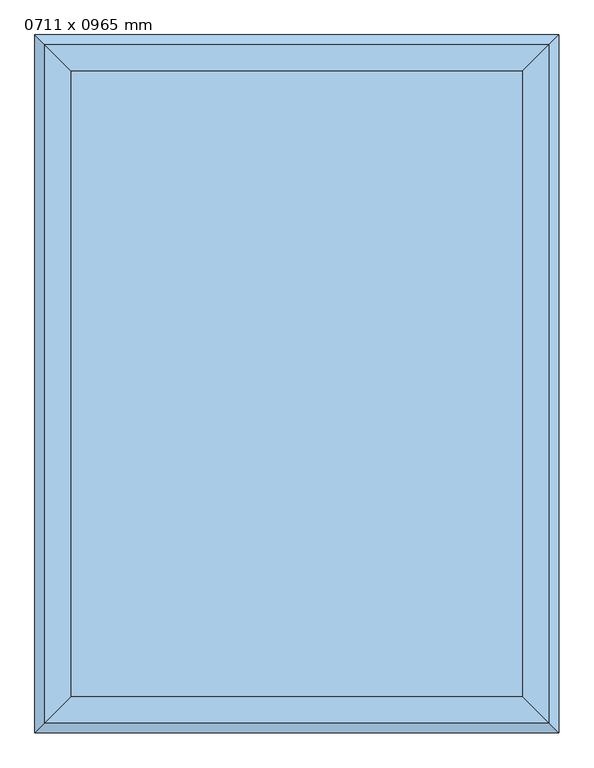
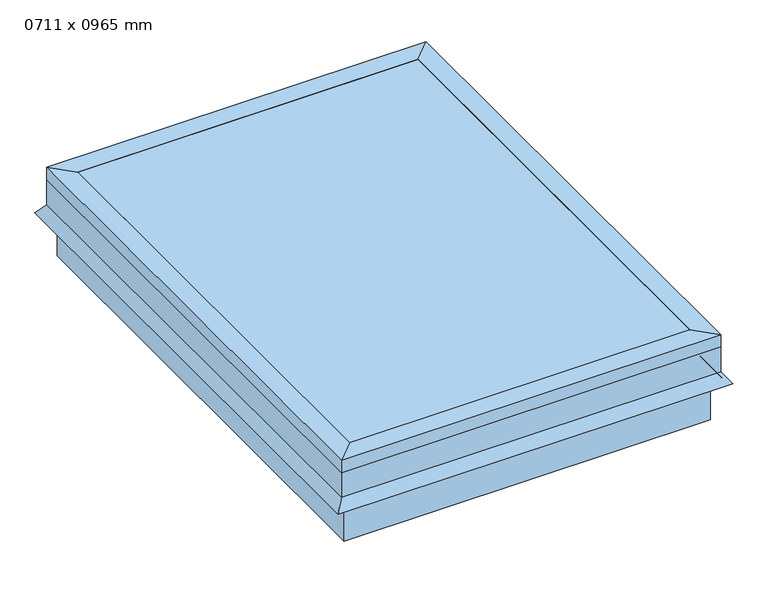
"""IFC4 building model written with IfcOpenShell, lengths in millimetres: window geometry, 0711 x 0965 mm."""

import ifcopenshell
import ifcopenshell.guid

model = None  # the IFC model being written
_history = None  # IfcOwnerHistory: only IFC2X3 demands one
_inside = {}  # id of a spatial element -> (the spatial element, [elements in it])
_under = {}  # id of a project, library or spatial element -> (it, [spatial elements below it])
_declared = {}  # id of a project -> (the project, [libraries it declares])
_typed = {}  # id of a type object -> (the type object, [elements of that type])
_made_of = {}  # id of a material, layer set ... -> (it, [elements and type objects made of it])


def new_model(schema):
    """Start an empty IFC model of exactly this schema.

    Asked for "IFC4X3", IfcOpenShell would pick the latest addendum, in which some entities
    have other attributes; the version numbers below select the first issue.
    IFC2X3 requires an IfcOwnerHistory on every rooted entity: one is made here for all.
    """
    global model, _history
    if schema == "IFC4X3":
        model = ifcopenshell.file(schema_version=(4, 3, 0, 0))
    else:
        model = ifcopenshell.file(schema=schema)
    _inside.clear()
    _under.clear()
    _declared.clear()
    _typed.clear()
    _made_of.clear()
    _history = None
    if model.schema == "IFC2X3":
        org = make("IfcOrganization", Name="unknown")
        user = make(
            "IfcPersonAndOrganization",
            ThePerson=make("IfcPerson", FamilyName="unknown"),
            TheOrganization=org,
        )
        app = make(
            "IfcApplication",
            ApplicationDeveloper=org,
            Version="unknown",
            ApplicationFullName="unknown",
            ApplicationIdentifier="unknown",
        )
        _history = make(
            "IfcOwnerHistory",
            OwningUser=user,
            OwningApplication=app,
            ChangeAction="ADDED",
            CreationDate=0,
        )
    return model


def make(cls, **values):
    """One entity of the class cls with the attributes given. An attribute that is None is left unset."""
    return model.create_entity(
        cls, **{name: value for name, value in values.items() if value is not None}
    )


def rooted(cls, **values):
    """An entity with a GlobalId (a new one), such as an element, a storey or a relation."""
    return make(cls, GlobalId=ifcopenshell.guid.new(), OwnerHistory=_history, **values)


def si_unit(unit_type, name, prefix=None):
    """IfcSIUnit, for example si_unit("LENGTHUNIT", "METRE", prefix="MILLI")."""
    return make("IfcSIUnit", UnitType=unit_type, Prefix=prefix, Name=name)


def assignment(units):
    """IfcUnitAssignment: the units of a project."""
    return None if units is None else make("IfcUnitAssignment", Units=units)


def point(xyz):
    """IfcCartesianPoint."""
    return None if xyz is None else make("IfcCartesianPoint", Coordinates=xyz)


def direction(xyz):
    """IfcDirection."""
    return None if xyz is None else make("IfcDirection", DirectionRatios=xyz)


def frame(location, z_axis=None, x_axis=None):
    """IfcAxis2Placement3D, a coordinate frame: its origin and axes. An axis left out is left unset."""
    return make(
        "IfcAxis2Placement3D",
        Location=point(location),
        Axis=direction(z_axis),
        RefDirection=direction(x_axis),
    )


def origin():
    """The frame at (0, 0, 0) with its axes left unset."""
    return frame((0.0, 0.0, 0.0))


def place(relative_to, where):
    """IfcLocalPlacement: puts the frame where relative to a parent placement (None: the world)."""
    return make(
        "IfcLocalPlacement", PlacementRelTo=relative_to, RelativePlacement=where
    )


def context(
    kind, dimensions, precision=None, world=None, true_north=None, identifier=None
):
    """IfcGeometricRepresentationContext, for example the 3D "Model" context."""
    return make(
        "IfcGeometricRepresentationContext",
        ContextIdentifier=identifier,
        ContextType=kind,
        CoordinateSpaceDimension=dimensions,
        Precision=precision,
        WorldCoordinateSystem=world,
        TrueNorth=true_north,
    )


def project(units=None, contexts=None):
    """IfcProject with its units and contexts."""
    return rooted(
        "IfcProject",
        Name="project",
        RepresentationContexts=contexts,
        UnitsInContext=assignment(units),
    )


def spatial(cls, under=None, at=None, **own):
    """A site, building, storey or space (cls), placed at a placement, below another one or the project."""
    s = rooted(cls, ObjectPlacement=at, **own)
    if under is not None:
        _under.setdefault(under.id(), (under, []))[1].append(s)
    return s


def polyline(points):
    """IfcPolyline through the points."""
    return make("IfcPolyline", Points=[point(p) for p in points])


def outline(outer, holes=None, kind="AREA"):
    """IfcArbitraryClosedProfileDef: a profile drawn as a closed curve; with holes, ...WithVoids."""
    if holes is None:
        return make("IfcArbitraryClosedProfileDef", ProfileType=kind, OuterCurve=outer)
    return make(
        "IfcArbitraryProfileDefWithVoids",
        ProfileType=kind,
        OuterCurve=outer,
        InnerCurves=holes,
    )


def extrude(swept, where, along, depth):
    """IfcExtrudedAreaSolid: the profile swept, set in the frame where, extruded along a direction by depth."""
    return make(
        "IfcExtrudedAreaSolid",
        SweptArea=swept,
        Position=where,
        ExtrudedDirection=direction(along),
        Depth=depth,
    )


def faces_of(points, faces, orient=None, outer=None):
    """IfcFace entities. A face is a list of loops; a loop is a list of indices into points, from 0.

    orient and outer hold one flag for each loop. By default every Orientation is true, the
    first loop of a face is its IfcFaceOuterBound and the others are IfcFaceBound.
    """
    made = []
    for i, loops in enumerate(faces):
        bounds = []
        for j, loop in enumerate(loops):
            is_outer = j == 0 if outer is None else outer[i][j]
            bounds.append(
                make(
                    "IfcFaceOuterBound" if is_outer else "IfcFaceBound",
                    Bound=make("IfcPolyLoop", Polygon=[points[k] for k in loop]),
                    Orientation=True if orient is None else orient[i][j],
                )
            )
        made.append(make("IfcFace", Bounds=bounds))
    return made


def faceted_brep(points, faces, orient=None, outer=None, voids=None):
    """IfcFacetedBrep: a solid bounded by flat faces; with voids (closed shells), ...WithVoids."""
    shared = [point(p) for p in points]
    hull = make("IfcClosedShell", CfsFaces=faces_of(shared, faces, orient, outer))
    if voids is None:
        return make("IfcFacetedBrep", Outer=hull)
    return make(
        "IfcFacetedBrepWithVoids",
        Outer=hull,
        Voids=[
            make(cls, CfsFaces=faces_of(shared, fs, o, b)) for cls, fs, o, b in voids
        ],
    )


def shape(context_of_items, identifier, shape_type, items):
    """IfcShapeRepresentation: the items that make up one representation, for example the "Body"."""
    return make(
        "IfcShapeRepresentation",
        ContextOfItems=context_of_items,
        RepresentationIdentifier=identifier,
        RepresentationType=shape_type,
        Items=items,
    )


def source(mapping_origin, context_of_items, identifier, shape_type, items):
    """IfcRepresentationMap: a shape defined once, which mapped items show again and again."""
    return make(
        "IfcRepresentationMap",
        MappingOrigin=mapping_origin,
        MappedRepresentation=shape(context_of_items, identifier, shape_type, items),
    )


def transform(
    local_origin,
    x_axis=None,
    y_axis=None,
    z_axis=None,
    scale=None,
    scale2=None,
    scale3=None,
    uniform=True,
):
    """IfcCartesianTransformationOperator3D, or its non-uniform kind. x_axis, y_axis, z_axis: its Axis1, 2, 3."""
    if uniform:
        return make(
            "IfcCartesianTransformationOperator3D",
            Axis1=direction(x_axis),
            Axis2=direction(y_axis),
            LocalOrigin=point(local_origin),
            Scale=scale,
            Axis3=direction(z_axis),
        )
    return make(
        "IfcCartesianTransformationOperator3DnonUniform",
        Axis1=direction(x_axis),
        Axis2=direction(y_axis),
        LocalOrigin=point(local_origin),
        Scale=scale,
        Axis3=direction(z_axis),
        Scale2=scale2,
        Scale3=scale3,
    )


def mapped(mapping_source, mapping_target):
    """IfcMappedItem: shows the shape of a source again, moved by a transform."""
    return make(
        "IfcMappedItem", MappingSource=mapping_source, MappingTarget=mapping_target
    )


def made_of(thing, what):
    """Note that an element or type object is made of a material, layer set ...; save() writes the relation."""
    if what is not None:
        _made_of.setdefault(what.id(), (what, []))[1].append(thing)
    return thing


def element(
    cls,
    number,
    at=None,
    inside=None,
    cuts=None,
    type_object=None,
    material=None,
    context=None,
    identifier="Body",
    shape_type=None,
    held_by="IfcProductDefinitionShape",
    body=None,
    shapes=None,
    **own,
):
    """One element of the class cls, such as IfcWall. Its Tag is "e" and its number.

    at: its placement. inside: the storey or other place that contains it. cuts: it is an
    opening in that element (IfcRelVoidsElement). A single representation is given by context,
    identifier, shape_type and body (its items); several are given by shapes. held_by: the class
    of the entity that holds the representations. save() writes the other relations.
    """
    e = rooted(cls, Tag="e%d" % number, ObjectPlacement=at, **own)
    if body is not None:
        shapes = [shape(context, identifier, shape_type, body)]
    if shapes is not None:
        e.Representation = make(held_by, Representations=shapes)
    if inside is not None:
        _inside.setdefault(inside.id(), (inside, []))[1].append(e)
    if cuts is not None:
        rooted(
            "IfcRelVoidsElement", RelatingBuildingElement=cuts, RelatedOpeningElement=e
        )
    if type_object is not None:
        _typed.setdefault(type_object.id(), (type_object, []))[1].append(e)
    return made_of(e, material)


def aggregate(whole, parts):
    """IfcRelAggregates: a whole, such as a stair, and the parts it consists of."""
    return rooted("IfcRelAggregates", RelatingObject=whole, RelatedObjects=parts)


def save(model, path):
    """Write the relations noted so far, then the file.

    IfcRelAggregates (storeys below a building ...), IfcRelContainedInSpatialStructure (elements
    in a storey), IfcRelDefinesByType, IfcRelAssociatesMaterial and IfcRelDeclares: one each for
    every whole, place, type object, material and project.
    """
    for whole, parts in _under.values():
        aggregate(whole, parts)
    for where, things in _inside.values():
        rooted(
            "IfcRelContainedInSpatialStructure",
            RelatedElements=things,
            RelatingStructure=where,
        )
    for kind, things in _typed.values():
        rooted("IfcRelDefinesByType", RelatedObjects=things, RelatingType=kind)
    for what, things in _made_of.values():
        rooted("IfcRelAssociatesMaterial", RelatedObjects=things, RelatingMaterial=what)
    for by, libraries in _declared.values():
        rooted("IfcRelDeclares", RelatingContext=by, RelatedDefinitions=libraries)
    model.write(path)


def window_0711_x_0965_mm_2d7eb5b4(model_context):
    return source(origin(), model_context, "Body", "SolidModel", [
        faceted_brep([(254.440073, -370.1040988, 4210.0), (254.440073, 544.0959012, 4210.0), (279.840073, 569.4959012, 4210.0), (279.840073, -395.5040988, 4210.0), (254.440073, -370.1040988, 4235.4), (254.440073, 544.0959012, 4235.4), (292.540073, -408.2040988, 4235.4), (292.540073, 582.1959012, 4235.4), (292.540073, -408.2040988, 4210.0), (292.540073, 582.1959012, 4210.0), (292.540073, -408.2040988, 4159.2), (292.540073, 582.1959012, 4159.2), (307.1089145, -422.7729403, 4138.3935381), (307.1089145, 596.7647427, 4138.3935381), (301.907299, -417.5713248, 4134.7513277), (301.907299, 591.5631272, 4134.7513277), (286.190073, -401.8540988, 4157.1978527), (286.190073, 575.8459012, 4157.1978527), (286.190073, -401.8540988, 4210.0), (286.190073, 575.8459012, 4210.0), (-405.759927, 544.0959012, 4210.0), (-431.159927, 569.4959012, 4210.0), (-405.759927, 544.0959012, 4235.4), (-443.859927, 582.1959012, 4235.4), (-443.859927, 582.1959012, 4210.0), (-443.859927, 582.1959012, 4159.2), (-458.4287685, 596.7647427, 4138.3935381), (-453.227153, 591.5631272, 4134.7513277), (-437.509927, 575.8459012, 4157.1978527), (-437.509927, 575.8459012, 4210.0), (-405.759927, -370.1040988, 4210.0), (-431.159927, -395.5040988, 4210.0), (-405.759927, -370.1040988, 4235.4), (-443.859927, -408.2040988, 4235.4), (-443.859927, -408.2040988, 4210.0), (-443.859927, -408.2040988, 4159.2), (-458.4287685, -422.7729403, 4138.3935381), (-453.227153, -417.5713248, 4134.7513277), (-437.509927, -401.8540988, 4157.1978527), (-437.509927, -401.8540988, 4210.0)], [[[0, 1, 2, 3]], [[4, 5, 1, 0]], [[6, 7, 5, 4]], [[8, 9, 7, 6]], [[10, 11, 9, 8]], [[12, 13, 11, 10]], [[14, 15, 13, 12]], [[16, 17, 15, 14]], [[18, 19, 17, 16]], [[3, 2, 19, 18]], [[1, 20, 21, 2]], [[5, 22, 20, 1]], [[7, 23, 22, 5]], [[9, 24, 23, 7]], [[11, 25, 24, 9]], [[13, 26, 25, 11]], [[15, 27, 26, 13]], [[17, 28, 27, 15]], [[19, 29, 28, 17]], [[2, 21, 29, 19]], [[20, 30, 31, 21]], [[22, 32, 30, 20]], [[23, 33, 32, 22]], [[24, 34, 33, 23]], [[25, 35, 34, 24]], [[26, 36, 35, 25]], [[27, 37, 36, 26]], [[28, 38, 37, 27]], [[29, 39, 38, 28]], [[21, 31, 39, 29]], [[30, 0, 3, 31]], [[32, 4, 0, 30]], [[33, 6, 4, 32]], [[34, 8, 6, 33]], [[35, 10, 8, 34]], [[36, 12, 10, 35]], [[37, 14, 12, 36]], [[38, 16, 14, 37]], [[39, 18, 16, 38]], [[31, 3, 18, 39]]]),
        faceted_brep([(279.840073, 569.4959012, 4210.0), (279.840073, -395.5040988, 4210.0), (279.840073, -395.5040988, 4057.6), (279.840073, 569.4959012, 4057.6), (254.440073, 544.0959012, 4210.0), (254.440073, -370.1040988, 4210.0), (254.440073, 544.0959012, 4184.6), (254.440073, -370.1040988, 4184.6), (235.390073, 525.0459012, 4184.6), (235.390073, -351.0540988, 4184.6), (235.390073, 525.0459012, 4057.6), (235.390073, -351.0540988, 4057.6), (-431.159927, -395.5040988, 4210.0), (-431.159927, -395.5040988, 4057.6), (-405.759927, -370.1040988, 4210.0), (-405.759927, -370.1040988, 4184.6), (-386.709927, -351.0540988, 4184.6), (-386.709927, -351.0540988, 4057.6), (-431.159927, 569.4959012, 4210.0), (-431.159927, 569.4959012, 4057.6), (-405.759927, 544.0959012, 4210.0), (-405.759927, 544.0959012, 4184.6), (-386.709927, 525.0459012, 4184.6), (-386.709927, 525.0459012, 4057.6)], [[[0, 1, 2, 3]], [[4, 5, 1, 0]], [[6, 7, 5, 4]], [[8, 9, 7, 6]], [[10, 11, 9, 8]], [[3, 2, 11, 10]], [[1, 12, 13, 2]], [[5, 14, 12, 1]], [[7, 15, 14, 5]], [[9, 16, 15, 7]], [[11, 17, 16, 9]], [[2, 13, 17, 11]], [[12, 18, 19, 13]], [[14, 20, 18, 12]], [[15, 21, 20, 14]], [[16, 22, 21, 15]], [[17, 23, 22, 16]], [[13, 19, 23, 17]], [[18, 0, 3, 19]], [[20, 4, 0, 18]], [[21, 6, 4, 20]], [[22, 8, 6, 21]], [[23, 10, 8, 22]], [[19, 3, 10, 23]]]),
        extrude(outline(polyline([(254.440073, 544.0959012), (254.440073, -370.1040988), (-405.759927, -370.1040988), (-405.759927, 544.0959012), (254.440073, 544.0959012)])), frame((0.0, 0.0, 4229.05), z_axis=(0.0, 0.0, 1.0), x_axis=(1.0, 0.0, 0.0)), (0.0, 0.0, 1.0), 6.35),
    ])


if __name__ == "__main__":
    model = new_model("IFC4")
    model_context = context("Model", 3, world=origin())
    ifc_project = project(units=[si_unit("LENGTHUNIT", "METRE", prefix="MILLI")], contexts=[model_context])
    site = spatial("IfcSite", under=ifc_project)
    building = spatial("IfcBuilding", under=site)
    placement = place(None, origin())
    window_0711_x_0965_mm_shape = window_0711_x_0965_mm_2d7eb5b4(model_context)
    element("IfcWindow", 1, ObjectType="0711 x 0965 mm", at=placement, inside=building, context=model_context, shape_type="MappedRepresentation", body=[
        mapped(window_0711_x_0965_mm_shape, transform((0.0, 0.0, 0.0), x_axis=(1.0, 0.0, 0.0), y_axis=(0.0, 1.0, 0.0), z_axis=(0.0, 0.0, 1.0))),
    ])
    save(model, "model.ifc")
